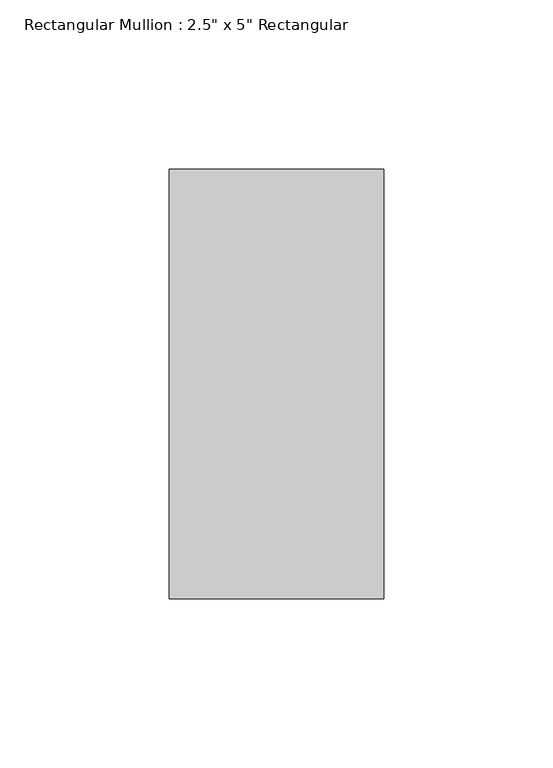
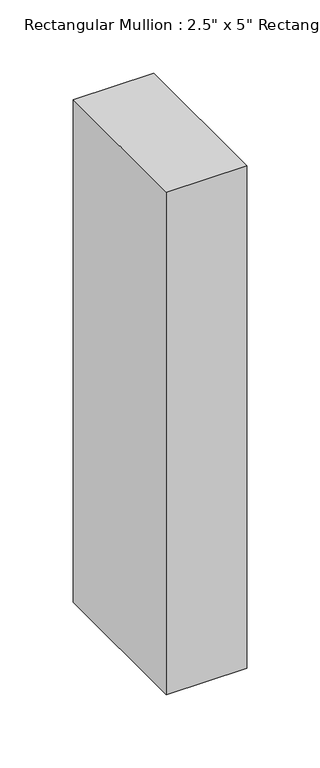
"""IFC4 building model written with IfcOpenShell, lengths in millimetres: member geometry."""

from ifc_helpers import new_model, si_unit, frame, origin, place, context, project, spatial, polyline, outline, extrude, source, transform, mapped, element, save


def member_2184cecb(model_context):
    return source(origin(), model_context, "Body", "SweptSolid", [
        extrude(outline(polyline([(31.75, 63.5), (31.75, -63.5), (-31.75, -63.5), (-31.75, 63.5), (31.75, 63.5)])), frame((0.0, 0.0, -419.1), z_axis=(0.0, 0.0, 1.0), x_axis=(1.0, 0.0, 0.0)), (0.0, 0.0, 1.0), 419.1),
    ])


if __name__ == "__main__":
    model = new_model("IFC4")
    model_context = context("Model", 3, world=origin())
    ifc_project = project(units=[si_unit("LENGTHUNIT", "METRE", prefix="MILLI")], contexts=[model_context])
    site = spatial("IfcSite", under=ifc_project)
    building = spatial("IfcBuilding", under=site)
    placement = place(None, origin())
    member_shape = member_2184cecb(model_context)
    element("IfcMember", 1, ObjectType="Rectangular Mullion : 2.5\" x 5\" Rectangular", at=placement, inside=building, context=model_context, shape_type="MappedRepresentation", body=[
        mapped(member_shape, transform((0.0, 0.0, 0.0), x_axis=(1.0, 0.0, 0.0), y_axis=(0.0, 1.0, 0.0), z_axis=(0.0, 0.0, 1.0))),
    ])
    save(model, "model.ifc")
